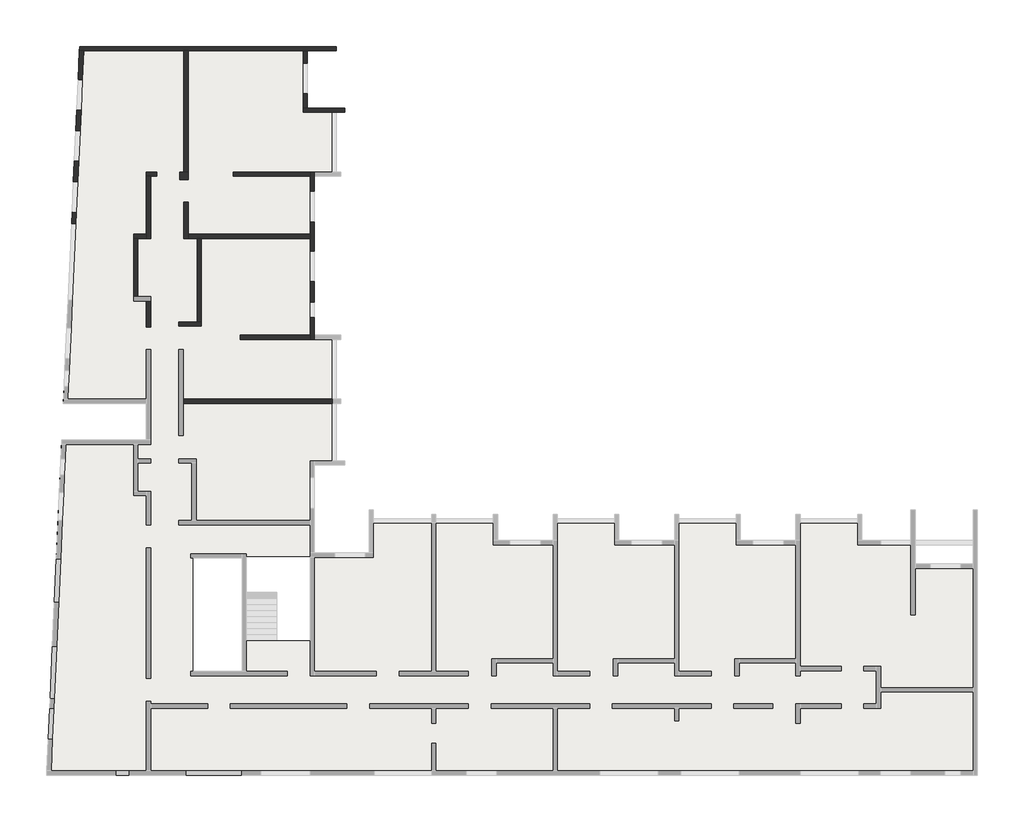
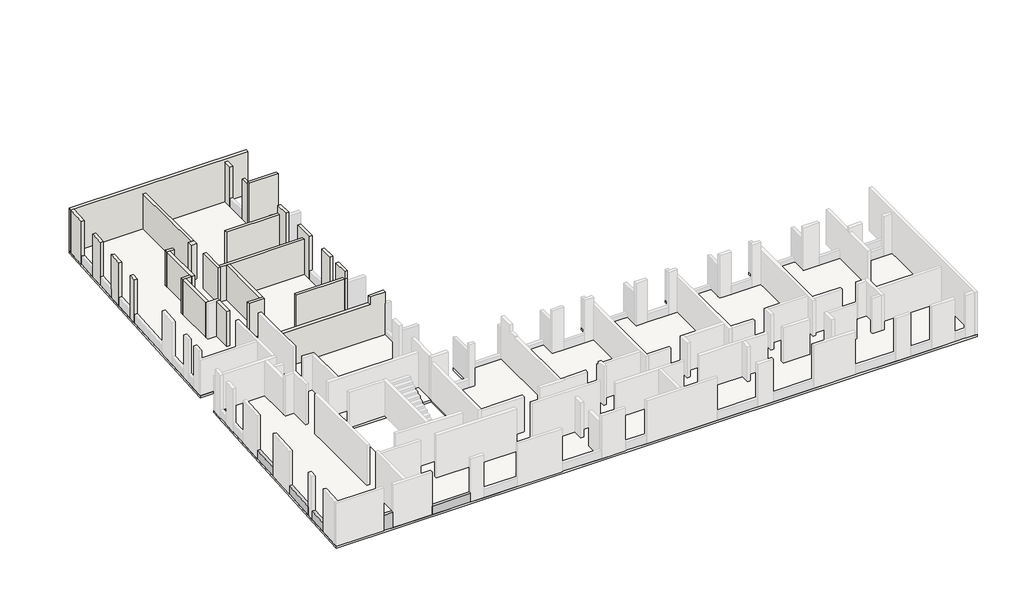
# One storey, part 3 of 4: 26 walls, 5 beams, 1 slab.
"""IFC4 building model written with IfcOpenShell, lengths in millimetres."""

from ifc_helpers import new_model, si_unit, frame, origin, place, context, project, spatial, polyline, outline, extrude, faceted_brep, element, save

model = new_model("IFC4")

# Units and contexts
model_context = context("Model", 3, world=origin())
ifc_project = project(units=[si_unit("LENGTHUNIT", "METRE", prefix="MILLI")], contexts=[model_context])

# Site, building, storey
site = spatial("IfcSite", under=ifc_project)
building = spatial("IfcBuilding", under=site)
storey = spatial("IfcBuildingStorey", under=building, Elevation=19880.0)

# Beams
placement = place(None, origin())
element("IfcBeam", 1, ObjectType="VI. 20/125", at=placement, inside=storey, context=model_context, shape_type="SweptSolid", body=[
    extrude(outline(polyline([(-38350.6912908, -16419.0672499), (-38350.6912908, -16219.0672499), (-37760.6912908, -16219.0672499), (-37760.6912908, -16419.0672499), (-38350.6912908, -16419.0672499)])), frame((0.0, 0.0, 19880.0), z_axis=(0.0, 0.0, 1.0), x_axis=(1.0, 0.0, 0.0)), (0.0, 0.0, 1.0), 1100.0),
])
element("IfcBeam", 2, ObjectType="VI. 20/75", at=placement, inside=storey, context=model_context, shape_type="SweptSolid", body=[
    extrude(outline(polyline([(-41467.4470985, -13297.689544), (-41267.6525789, -13306.7532049), (-41332.9109371, -14745.2737458), (-41532.7054566, -14736.2100849), (-41467.4470985, -13297.689544)])), frame((0.0, 0.0, 19880.0), z_axis=(0.0, 0.0, 1.0), x_axis=(1.0, 0.0, 0.0)), (0.0, 0.0, 1.0), 600.0),
])
element("IfcBeam", 3, ObjectType="VI. 20/75", at=placement, inside=storey, context=model_context, shape_type="SweptSolid", body=[
    extrude(outline(polyline([(-41246.1263843, -12832.2412209), (-41445.9209039, -12823.17756), (-41334.8458454, -10374.6980441), (-41135.0513258, -10383.7617049), (-41246.1263843, -12832.2412209)])), frame((0.0, 0.0, 19880.0), z_axis=(0.0, 0.0, 1.0), x_axis=(1.0, 0.0, 0.0)), (0.0, 0.0, 1.0), 600.0),
])
element("IfcBeam", 4, ObjectType="VI. 20/75", at=placement, inside=storey, context=model_context, shape_type="SweptSolid", body=[
    extrude(outline(polyline([(-41149.2673893, -6283.9052558), (-40949.4728698, -6292.9689167), (-41041.9222105, -8330.8730163), (-41241.7167301, -8321.8093555), (-41149.2673893, -6283.9052558)])), frame((0.0, 0.0, 19880.0), z_axis=(0.0, 0.0, 1.0), x_axis=(1.0, 0.0, 0.0)), (0.0, 0.0, 1.0), 600.0),
])
element("IfcBeam", 5, ObjectType="VI. 20/75", at=placement, inside=storey, context=model_context, shape_type="SweptSolid", body=[
    extrude(outline(polyline([(-32455.6912908, -16219.0672499), (-32455.6912908, -16419.0672499), (-35095.6912908, -16419.0672499), (-35095.6912908, -16219.0672499), (-32455.6912908, -16219.0672499)])), frame((0.0, 0.0, 19880.0), z_axis=(0.0, 0.0, 1.0), x_axis=(1.0, 0.0, 0.0)), (0.0, 0.0, 1.0), 600.0),
])

# Slab
element("IfcSlab", 6, ObjectType="LHA15", at=placement, inside=storey, context=model_context, shape_type="Brep", body=[
    faceted_brep([(-40059.8363693, 17730.9327501, 19730.0), (-40059.8363693, 17730.9327501, 19880.0), (-29395.6912908, 17730.9327501, 19880.0), (-29395.6912908, 17730.9327501, 19730.0), (-29395.6912908, 16950.9327501, 19880.0), (-29395.6912908, 15510.9327501, 19880.0), (-29395.6912908, 14850.8982988, 19880.0), (-29395.6912908, 14850.8982988, 19730.0), (-27635.6912908, 14850.8982988, 19880.0), (-27635.6912908, 14850.8982988, 19730.0), (-28035.6912908, 14650.9327501, 19730.0), (-28035.6912908, 14650.9327501, 19880.0), (-28035.6912908, 11850.9327501, 19880.0), (-28035.6912908, 11850.9327501, 19730.0), (-27835.6912908, 11650.9327501, 19730.0), (-27835.6912908, 11650.9327501, 19880.0), (-29065.6912908, 11650.9327501, 19880.0), (-29065.6912908, 11650.9327501, 19730.0), (-29065.6912908, 10925.9327501, 19880.0), (-29065.6912908, 9535.9327501, 19880.0), (-29065.6912908, 8150.9327501, 19880.0), (-29065.6912908, 6710.9327501, 19880.0), (-29065.6912908, 5760.9327501, 19880.0), (-29065.6912908, 5020.9327501, 19880.0), (-29065.6912908, 4200.9327501, 19880.0), (-29065.6912908, 4200.9327501, 19730.0), (-27835.6912908, 4200.9327501, 19880.0), (-27835.6912908, 4200.9327501, 19730.0), (-28035.6912908, 1000.9327501, 19730.0), (-28035.6912908, 1000.9327501, 19880.0), (-28035.6912908, -1689.5482142, 19880.0), (-28035.6912908, -1689.5482142, 19730.0), (-29065.6912908, -1889.5482142, 19730.0), (-29065.6912908, -1889.5482142, 19880.0), (-29065.6912908, -2469.0672499, 19880.0), (-29065.6912908, -3909.0672499, 19880.0), (-29065.6912908, -6004.0672499, 19880.0), (-29065.6912908, -6004.0672499, 19730.0), (-28115.6912908, -6004.0672499, 19880.0), (-26675.6912908, -6004.0672499, 19880.0), (-26495.6912908, -6004.0672499, 19880.0), (-26495.6912908, -6004.0672499, 19730.0), (-26495.6912908, -3999.0672499, 19880.0), (-26495.6912908, -3999.0672499, 19730.0), (-26295.6912908, -4399.0672499, 19730.0), (-26295.6912908, -4399.0672499, 19880.0), (-23575.6912908, -4399.0672499, 19880.0), (-23575.6912908, -4399.0672499, 19730.0), (-20485.6912908, -4199.0672499, 19730.0), (-20485.6912908, -4199.0672499, 19880.0), (-20485.6912908, -5419.0672499, 19880.0), (-20485.6912908, -5419.0672499, 19730.0), (-19905.6912908, -5419.0672499, 19880.0), (-18465.6912908, -5419.0672499, 19880.0), (-17885.6912908, -5419.0672499, 19880.0), (-17885.6912908, -5419.0672499, 19730.0), (-17885.6912908, -4199.0672499, 19880.0), (-17885.6912908, -4199.0672499, 19730.0), (-17685.6912908, -4399.0672499, 19730.0), (-17685.6912908, -4399.0672499, 19880.0), (-14995.6912908, -4399.0672499, 19880.0), (-14995.6912908, -4399.0672499, 19730.0), (-14795.6912908, -4199.0672499, 19730.0), (-14795.6912908, -4199.0672499, 19880.0), (-14795.6912908, -5419.0672499, 19880.0), (-14795.6912908, -5419.0672499, 19730.0), (-14215.6912908, -5419.0672499, 19880.0), (-12775.6912908, -5419.0672499, 19880.0), (-12195.6912908, -5419.0672499, 19880.0), (-12195.6912908, -5419.0672499, 19730.0), (-12195.6912908, -4199.0672499, 19880.0), (-12195.6912908, -4199.0672499, 19730.0), (-11995.6912908, -4399.0672499, 19730.0), (-11995.6912908, -4399.0672499, 19880.0), (-9305.6912908, -4399.0672499, 19880.0), (-9305.6912908, -4399.0672499, 19730.0), (-9105.6912908, -4199.0672499, 19730.0), (-9105.6912908, -4199.0672499, 19880.0), (-9105.6912908, -5419.0672499, 19880.0), (-9105.6912908, -5419.0672499, 19730.0), (-8525.6912908, -5419.0672499, 19880.0), (-7085.6912908, -5419.0672499, 19880.0), (-6505.6912908, -5419.0672499, 19880.0), (-6505.6912908, -5419.0672499, 19730.0), (-6505.6912908, -4199.0672499, 19880.0), (-6505.6912908, -4199.0672499, 19730.0), (-6305.6912908, -4399.0672499, 19730.0), (-6305.6912908, -4399.0672499, 19880.0), (-3615.6912908, -4399.0672499, 19880.0), (-3615.6912908, -4399.0672499, 19730.0), (-3415.6912908, -4199.0672499, 19730.0), (-3415.6912908, -4199.0672499, 19880.0), (-3415.6912908, -5419.0672499, 19880.0), (-3415.6912908, -5419.0672499, 19730.0), (-2545.6912908, -5419.0672499, 19880.0), (-1125.6912908, -5419.0672499, 19880.0), (-925.6912908, -5419.0672499, 19880.0), (-925.6912908, -5419.0672499, 19730.0), (-925.6912908, -6519.0672499, 19880.0), (-925.6912908, -6519.0672499, 19730.0), (-925.6912908, -5619.0672499, 19730.0), (-200.6912908, -6519.0672499, 19880.0), (1189.3087092, -6519.0672499, 19880.0), (1994.3087092, -6519.0672499, 19880.0), (1994.3087092, -6519.0672499, 19730.0), (1994.3087092, -16419.0672499, 19880.0), (1994.3087092, -16419.0672499, 19730.0), (-32245.6912908, -10104.0672499, 19730.0), (-32245.6912908, -10104.0672499, 19880.0), (-29265.6912908, -10104.0672499, 19880.0), (-29265.6912908, -10104.0672499, 19730.0), (-29265.6912908, -6184.0672499, 19880.0), (-29265.6912908, -6184.0672499, 19730.0), (-32245.6912908, -6184.0672499, 19880.0), (-32245.6912908, -6184.0672499, 19730.0), (-32245.6912908, -6244.0672499, 19880.0), (-32245.6912908, -6244.0672499, 19730.0), (-34745.6912908, -6244.0672499, 19880.0), (-34745.6912908, -6244.0672499, 19730.0), (-34745.6912908, -11559.0672499, 19880.0), (-34745.6912908, -11559.0672499, 19730.0), (-32245.6912908, -11559.0672499, 19880.0), (-32245.6912908, -11559.0672499, 19730.0), (-27635.6912908, -1889.5482142, 19730.0), (-27635.6912908, -1889.5482142, 19880.0), (-3615.6912908, -4199.0672499, 19880.0), (-6305.6912908, -4199.0672499, 19880.0), (-9305.6912908, -4199.0672499, 19880.0), (-11995.6912908, -4199.0672499, 19880.0), (-14995.6912908, -4199.0672499, 19880.0), (-17685.6912908, -4199.0672499, 19880.0), (-20685.6912908, -4199.0672499, 19880.0), (-20685.6912908, -4399.0672499, 19880.0), (-23375.6912908, -4399.0672499, 19880.0), (-23375.6912908, -4199.0672499, 19880.0), (-23575.6912908, -4199.0672499, 19880.0), (-26295.6912908, -3999.0672499, 19880.0), (-27635.6912908, -1689.5482142, 19880.0), (-27835.6912908, 1000.9327501, 19880.0), (-27835.6912908, 1200.9327501, 19880.0), (-28035.6912908, 1200.9327501, 19880.0), (-28035.6912908, 4000.9327501, 19880.0), (-27835.6912908, 4000.9327501, 19880.0), (-27835.6912908, 11850.9327501, 19880.0), (-27635.6912908, 14650.9327501, 19880.0), (-40130.7851818, 16166.9748617, 19880.0), (-40193.7776247, 14778.4029506, 19880.0), (-40238.4161545, 13794.4149417, 19880.0), (-40303.6745126, 12355.8944008, 19880.0), (-40347.1800848, 11396.8807068, 19880.0), (-40412.4384429, 9958.3601659, 19880.0), (-40436.6837357, 9423.909826, 19880.0), (-40598.016899, 5867.5673776, 19880.0), (-40658.0636522, 4543.9286854, 19880.0), (-40723.3220104, 3105.4081445, 19880.0), (-40748.9268523, 2540.9886267, 19880.0), (-40782.4623975, 1801.7489043, 19880.0), (-40818.7913521, 1000.9327501, 19880.0), (-36935.6912908, 1000.9327501, 19880.0), (-36935.6912908, -714.0672499, 19880.0), (-40896.5921767, -714.0672499, 19880.0), (-41149.2673893, -6283.9052558, 19880.0), (-41241.7167301, -8321.8093555, 19880.0), (-41334.8458454, -10374.6980441, 19880.0), (-41445.9209039, -12823.17756, 19880.0), (-41467.4470985, -13297.689544, 19880.0), (-41532.7054566, -14736.2100849, 19880.0), (-41609.0481243, -16419.0672499, 19880.0), (-38350.6912908, -16419.0672499, 19880.0), (-37760.6912908, -16419.0672499, 19880.0), (-35095.6912908, -16419.0672499, 19880.0), (-32455.6912908, -16419.0672499, 19880.0), (-31585.6912908, -16419.0672499, 19880.0), (-29265.6912908, -16419.0672499, 19880.0), (-26230.6912908, -16419.0672499, 19880.0), (-23600.6912908, -16419.0672499, 19880.0), (-21930.6912908, -16419.0672499, 19880.0), (-20540.6912908, -16419.0672499, 19880.0), (-15705.6912908, -16419.0672499, 19880.0), (-12965.6912908, -16419.0672499, 19880.0), (-11895.6912908, -16419.0672499, 19880.0), (-9155.6912908, -16419.0672499, 19880.0), (-6305.6912908, -16419.0672499, 19880.0), (-3570.6912908, -16419.0672499, 19880.0), (-2555.6912908, -16419.0672499, 19880.0), (-1125.6912908, -16419.0672499, 19880.0), (489.3087092, -16419.0672499, 19880.0), (1179.3087092, -16419.0672499, 19880.0), (-41609.0481243, -16419.0672499, 19730.0), (-40896.5921767, -714.0672499, 19730.0), (-36935.6912908, -714.0672499, 19730.0), (-36935.6912908, 1000.9327501, 19730.0), (-40818.7913521, 1000.9327501, 19730.0), (-27635.6912908, 14650.9327501, 19730.0), (-27835.6912908, 11850.9327501, 19730.0), (-27835.6912908, 4000.9327501, 19730.0), (-28035.6912908, 4000.9327501, 19730.0), (-28035.6912908, 1200.9327501, 19730.0), (-27835.6912908, 1200.9327501, 19730.0), (-27835.6912908, 1000.9327501, 19730.0), (-27635.6912908, -1689.5482142, 19730.0), (-26295.6912908, -3999.0672499, 19730.0), (-23575.6912908, -4199.0672499, 19730.0), (-23375.6912908, -4199.0672499, 19730.0), (-23375.6912908, -4399.0672499, 19730.0), (-20685.6912908, -4399.0672499, 19730.0), (-20685.6912908, -4199.0672499, 19730.0), (-17685.6912908, -4199.0672499, 19730.0), (-14995.6912908, -4199.0672499, 19730.0), (-11995.6912908, -4199.0672499, 19730.0), (-9305.6912908, -4199.0672499, 19730.0), (-6305.6912908, -4199.0672499, 19730.0), (-3615.6912908, -4199.0672499, 19730.0)], [[[0, 1, 2, 3]], [[3, 2, 4, 5, 6, 7]], [[7, 6, 8, 9]], [[10, 11, 12, 13]], [[14, 15, 16, 17]], [[17, 16, 18, 19, 20, 21, 22, 23, 24, 25]], [[25, 24, 26, 27]], [[28, 29, 30, 31]], [[32, 33, 34, 35, 36, 37]], [[37, 36, 38, 39, 40, 41]], [[41, 40, 42, 43]], [[44, 45, 46, 47]], [[48, 49, 50, 51]], [[51, 50, 52, 53, 54, 55]], [[55, 54, 56, 57]], [[58, 59, 60, 61]], [[62, 63, 64, 65]], [[65, 64, 66, 67, 68, 69]], [[69, 68, 70, 71]], [[72, 73, 74, 75]], [[76, 77, 78, 79]], [[79, 78, 80, 81, 82, 83]], [[83, 82, 84, 85]], [[86, 87, 88, 89]], [[90, 91, 92, 93]], [[93, 92, 94, 95, 96, 97]], [[97, 96, 98, 99, 100]], [[99, 98, 101, 102, 103, 104]], [[104, 103, 105, 106]], [[107, 108, 109, 110]], [[110, 109, 111, 112]], [[112, 111, 113, 114]], [[114, 113, 115, 116]], [[116, 115, 117, 118]], [[118, 117, 119, 120]], [[120, 119, 121, 122]], [[122, 121, 108, 107]], [[123, 124, 33, 32]], [[103, 102, 101, 98, 96, 95, 94, 92, 91, 125, 88, 87, 126, 84, 82, 81, 80, 78, 77, 127, 74, 73, 128, 70, 68, 67, 66, 64, 63, 129, 60, 59, 130, 56, 54, 53, 52, 50, 49, 131, 132, 133, 134, 135, 46, 45, 136, 42, 40, 39, 38, 36, 35, 34, 33, 124, 137, 30, 29, 138, 139, 140, 141, 142, 26, 24, 23, 22, 21, 20, 19, 18, 16, 15, 143, 12, 11, 144, 8, 6, 5, 4, 2, 1, 145, 146, 147, 148, 149, 150, 151, 152, 153, 154, 155, 156, 157, 158, 159, 160, 161, 162, 163, 164, 165, 166, 167, 168, 169, 170, 171, 172, 173, 174, 175, 176, 177, 178, 179, 180, 181, 182, 183, 184, 185, 186, 187, 105], [119, 117, 115, 113, 111, 109, 108, 121]], [[104, 106, 188, 189, 190, 191, 192, 0, 3, 7, 9, 193, 10, 13, 194, 14, 17, 25, 27, 195, 196, 197, 198, 199, 28, 31, 200, 123, 32, 37, 41, 43, 201, 44, 47, 202, 203, 204, 205, 206, 48, 51, 55, 57, 207, 58, 61, 208, 62, 65, 69, 71, 209, 72, 75, 210, 76, 79, 83, 85, 211, 86, 89, 212, 90, 93, 97, 100, 99], [120, 122, 107, 110, 112, 114, 116, 118]], [[106, 105, 187, 186, 185, 184, 183, 182, 181, 180, 179, 178, 177, 176, 175, 174, 173, 172, 171, 170, 169, 168, 167, 188]], [[189, 160, 159, 190]], [[190, 159, 158, 191]], [[191, 158, 157, 192]], [[192, 157, 156, 155, 154, 153, 152, 151, 150, 149, 148, 147, 146, 145, 1, 0]], [[9, 8, 144, 193]], [[193, 144, 11, 10]], [[13, 12, 143, 194]], [[194, 143, 15, 14]], [[27, 26, 142, 195]], [[195, 142, 141, 196]], [[196, 141, 140, 197]], [[197, 140, 139, 198]], [[198, 139, 138, 199]], [[199, 138, 29, 28]], [[31, 30, 137, 200]], [[200, 137, 124, 123]], [[43, 42, 136, 201]], [[201, 136, 45, 44]], [[47, 46, 135, 202]], [[202, 135, 134, 203]], [[203, 134, 133, 204]], [[204, 133, 132, 205]], [[205, 132, 131, 206]], [[206, 131, 49, 48]], [[57, 56, 130, 207]], [[207, 130, 59, 58]], [[61, 60, 129, 208]], [[208, 129, 63, 62]], [[71, 70, 128, 209]], [[209, 128, 73, 72]], [[75, 74, 127, 210]], [[210, 127, 77, 76]], [[85, 84, 126, 211]], [[211, 126, 87, 86]], [[89, 88, 125, 212]], [[212, 125, 91, 90]], [[188, 167, 166, 165, 164, 163, 162, 161, 160, 189]]]),
])

# Walls
element("IfcWall", 7, ObjectType="MHA20", at=placement, inside=storey, context=model_context, shape_type="Brep", body=[
    faceted_brep([(-29395.6912908, 16950.9327501, 19880.0), (-29395.6912908, 17530.9327501, 19880.0), (-29395.6912908, 17530.9327501, 22750.0), (-29395.6912908, 16950.9327501, 22750.0), (-29395.6912908, 16950.9327501, 22410.0), (-29395.6912908, 16950.9327501, 20480.0), (-29595.6912908, 16950.9327501, 19880.0), (-29595.6912908, 16950.9327501, 20480.0), (-29595.6912908, 16950.9327501, 22410.0), (-29595.6912908, 16950.9327501, 22750.0), (-29595.6912908, 17530.9327501, 22750.0), (-29595.6912908, 17530.9327501, 19880.0)], [[[0, 1, 2, 3, 4, 5]], [[6, 7, 8, 9, 10, 11]], [[1, 0, 6, 11]], [[3, 2, 10, 9]], [[0, 5, 4, 3, 9, 8, 7, 6]], [[2, 1, 11, 10]]]),
])
element("IfcWall", 8, ObjectType="MHA20", at=placement, inside=storey, context=model_context, shape_type="Brep", body=[
    faceted_brep([(-35205.6912908, 1000.9327501, 19880.0), (-28235.6912908, 1000.9327501, 19880.0), (-28235.6912908, 1000.9327501, 22110.0), (-28235.6912908, 1000.9327501, 22953.7062937), (-29065.6912908, 1000.9327501, 22945.0), (-29265.6912908, 1000.9327501, 22942.9020979), (-29265.6912908, 1000.9327501, 22410.0), (-35205.6912908, 1000.9327501, 22410.0), (-35205.6912908, 1200.9327501, 19880.0), (-35205.6912908, 1200.9327501, 22410.0), (-29265.6912908, 1200.9327501, 22410.0), (-29265.6912908, 1200.9327501, 22942.9020979), (-29065.6912908, 1200.9327501, 22945.0), (-28235.6912908, 1200.9327501, 22953.7062937), (-28235.6912908, 1200.9327501, 22110.0), (-28235.6912908, 1200.9327501, 19880.0)], [[[0, 1, 2, 3, 4, 5, 6, 7]], [[8, 9, 10, 11, 12, 13, 14, 15]], [[0, 7, 9, 8]], [[1, 0, 8, 15]], [[3, 2, 1, 15, 14, 13]], [[7, 6, 10, 9]], [[5, 4, 3, 13, 12, 11]], [[6, 5, 11, 10]]]),
])
element("IfcWall", 9, ObjectType="MHA20", at=placement, inside=storey, context=model_context, shape_type="Brep", body=[
    faceted_brep([(-35405.6912908, 4620.9327501, 19880.0), (-34355.6912908, 4620.9327501, 19880.0), (-34355.6912908, 4620.9327501, 22410.0), (-35405.6912908, 4620.9327501, 22410.0), (-35405.6912908, 4820.9327501, 19880.0), (-35405.6912908, 4820.9327501, 22410.0), (-34555.6912908, 4820.9327501, 22410.0), (-34355.6912908, 4820.9327501, 22410.0), (-34355.6912908, 4820.9327501, 19880.0), (-34555.6912908, 4820.9327501, 19880.0)], [[[0, 1, 2, 3]], [[4, 5, 6, 7, 8, 9]], [[1, 0, 4, 9, 8]], [[3, 2, 7, 6, 5]], [[0, 3, 5, 4]], [[2, 1, 8, 7]]]),
])
element("IfcWall", 10, ObjectType="MHA20", at=placement, inside=storey, context=model_context, shape_type="SweptSolid", body=[
    extrude(outline(polyline([(-34355.6912908, 8730.9327501), (-34355.6912908, 4820.9327501), (-34555.6912908, 4820.9327501), (-34555.6912908, 8730.9327501), (-34355.6912908, 8730.9327501)])), frame((0.0, 0.0, 19880.0), z_axis=(0.0, 0.0, 1.0), x_axis=(1.0, 0.0, 0.0)), (0.0, 0.0, 1.0), 2530.0),
])
element("IfcWall", 11, ObjectType="MHA20", at=placement, inside=storey, context=model_context, shape_type="Brep", body=[
    faceted_brep([(-29065.6912908, 4000.9327501, 19880.0), (-29065.6912908, 4200.9327501, 19880.0), (-29065.6912908, 5020.9327501, 19880.0), (-29065.6912908, 5020.9327501, 20480.0), (-29065.6912908, 5020.9327501, 22410.0), (-29065.6912908, 5020.9327501, 22945.0), (-29065.6912908, 4000.9327501, 22945.0), (-29065.6912908, 4000.9327501, 22410.0), (-29065.6912908, 4000.9327501, 22110.0), (-29265.6912908, 4000.9327501, 19880.0), (-29265.6912908, 4000.9327501, 22410.0), (-29265.6912908, 4000.9327501, 22945.0), (-29265.6912908, 5020.9327501, 22945.0), (-29265.6912908, 5020.9327501, 22410.0), (-29265.6912908, 5020.9327501, 20480.0), (-29265.6912908, 5020.9327501, 19880.0), (-29265.6912908, 4200.9327501, 19880.0)], [[[0, 1, 2, 3, 4, 5, 6, 7, 8]], [[9, 10, 11, 12, 13, 14, 15, 16]], [[2, 1, 0, 9, 16, 15]], [[5, 4, 3, 2, 15, 14, 13, 12]], [[6, 5, 12, 11]], [[7, 6, 11, 10]], [[0, 8, 7, 10, 9]]]),
])
element("IfcWall", 12, ObjectType="MHA20", at=placement, inside=storey, context=model_context, shape_type="Brep", body=[
    faceted_brep([(-29065.6912908, 5760.9327501, 19880.0), (-29065.6912908, 6710.9327501, 19880.0), (-29065.6912908, 6710.9327501, 20480.0), (-29065.6912908, 6710.9327501, 22410.0), (-29065.6912908, 6710.9327501, 22945.0), (-29065.6912908, 5760.9327501, 22945.0), (-29065.6912908, 5760.9327501, 22410.0), (-29065.6912908, 5760.9327501, 20480.0), (-29265.6912908, 5760.9327501, 19880.0), (-29265.6912908, 5760.9327501, 20480.0), (-29265.6912908, 5760.9327501, 22410.0), (-29265.6912908, 5760.9327501, 22945.0), (-29265.6912908, 6710.9327501, 22945.0), (-29265.6912908, 6710.9327501, 22410.0), (-29265.6912908, 6710.9327501, 20480.0), (-29265.6912908, 6710.9327501, 19880.0)], [[[0, 1, 2, 3, 4, 5, 6, 7]], [[8, 9, 10, 11, 12, 13, 14, 15]], [[1, 0, 8, 15]], [[4, 3, 2, 1, 15, 14, 13, 12]], [[5, 4, 12, 11]], [[0, 7, 6, 5, 11, 10, 9, 8]]]),
])
element("IfcWall", 13, ObjectType="MHA20", at=placement, inside=storey, context=model_context, shape_type="Brep", body=[
    faceted_brep([(-29065.6912908, 8150.9327501, 19880.0), (-29065.6912908, 9510.9327501, 19880.0), (-29065.6912908, 9510.9327501, 22945.0), (-29065.6912908, 8150.9327501, 22945.0), (-29065.6912908, 8150.9327501, 22410.0), (-29065.6912908, 8150.9327501, 20480.0), (-29265.6912908, 8150.9327501, 19880.0), (-29265.6912908, 8150.9327501, 20480.0), (-29265.6912908, 8150.9327501, 22410.0), (-29265.6912908, 8150.9327501, 22945.0), (-29265.6912908, 9510.9327501, 22945.0), (-29265.6912908, 9510.9327501, 19880.0), (-29265.6912908, 8930.9327501, 19880.0), (-29265.6912908, 8730.9327501, 19880.0)], [[[0, 1, 2, 3, 4, 5]], [[6, 7, 8, 9, 10, 11, 12, 13]], [[1, 0, 6, 13, 12, 11]], [[2, 1, 11, 10]], [[3, 2, 10, 9]], [[0, 5, 4, 3, 9, 8, 7, 6]]]),
])
element("IfcWall", 14, ObjectType="MHA20", at=placement, inside=storey, context=model_context, shape_type="Brep", body=[
    faceted_brep([(-29065.6912908, 10950.9327501, 19880.0), (-29065.6912908, 11650.9327501, 19880.0), (-29065.6912908, 11850.9327501, 19880.0), (-29065.6912908, 11850.9327501, 22110.0), (-29065.6912908, 11850.9327501, 22410.0), (-29065.6912908, 11850.9327501, 22945.0), (-29065.6912908, 10950.9327501, 22945.0), (-29265.6912908, 10950.9327501, 19880.0), (-29265.6912908, 10950.9327501, 22945.0), (-29265.6912908, 11850.9327501, 22945.0), (-29265.6912908, 11850.9327501, 22410.0), (-29265.6912908, 11850.9327501, 19880.0), (-29265.6912908, 11650.9327501, 19880.0)], [[[0, 1, 2, 3, 4, 5, 6]], [[7, 8, 9, 10, 11, 12]], [[2, 1, 0, 7, 12, 11]], [[6, 5, 9, 8]], [[0, 6, 8, 7]], [[5, 4, 3, 2, 11, 10, 9]]]),
])
element("IfcWall", 15, ObjectType="MHA20", at=placement, inside=storey, context=model_context, shape_type="Brep", body=[
    faceted_brep([(-29595.6912908, 15510.9327501, 19880.0), (-29595.6912908, 14850.9327501, 19880.0), (-29595.6912908, 14850.9327501, 22750.0), (-29595.6912908, 15510.9327501, 22750.0), (-29595.6912908, 15510.9327501, 22410.0), (-29595.6912908, 15510.9327501, 20480.0), (-29395.6912908, 15510.9327501, 19880.0), (-29395.6912908, 15510.9327501, 20480.0), (-29395.6912908, 15510.9327501, 22410.0), (-29395.6912908, 15510.9327501, 22750.0), (-29395.6912908, 14850.9327501, 22750.0), (-29395.6912908, 14850.9327501, 19880.0)], [[[0, 1, 2, 3, 4, 5]], [[6, 7, 8, 9, 10, 11]], [[1, 0, 6, 11]], [[2, 1, 11, 10]], [[3, 2, 10, 9]], [[0, 5, 4, 3, 9, 8, 7, 6]]]),
])
element("IfcWall", 16, ObjectType="MHA20", at=placement, inside=storey, context=model_context, shape_type="SweptSolid", body=[
    extrude(outline(polyline([(-35175.6912908, 11850.9327501), (-35175.6912908, 17530.9327501), (-34975.6912908, 17530.9327501), (-34975.6912908, 11850.9327501), (-35175.6912908, 11850.9327501)])), frame((0.0, 0.0, 19880.0), z_axis=(0.0, 0.0, 1.0), x_axis=(1.0, 0.0, 0.0)), (0.0, 0.0, 1.0), 2530.0),
])
element("IfcWall", 17, ObjectType="MHA20", at=placement, inside=storey, context=model_context, shape_type="Brep", body=[
    faceted_brep([(-35175.6912908, 10430.9327501, 19880.0), (-35175.6912908, 8730.9327501, 19880.0), (-35175.6912908, 8730.9327501, 22410.0), (-35175.6912908, 10430.9327501, 22410.0), (-34975.6912908, 10430.9327501, 19880.0), (-34975.6912908, 10430.9327501, 22410.0), (-34975.6912908, 8930.9327501, 22410.0), (-34975.6912908, 8730.9327501, 22410.0), (-34975.6912908, 8730.9327501, 19880.0), (-34975.6912908, 8930.9327501, 19880.0)], [[[0, 1, 2, 3]], [[4, 5, 6, 7, 8, 9]], [[1, 0, 4, 9, 8]], [[3, 2, 7, 6, 5]], [[0, 3, 5, 4]], [[2, 1, 8, 7]]]),
])
element("IfcWall", 18, ObjectType="MHA20", at=placement, inside=storey, context=model_context, shape_type="Brep", body=[
    faceted_brep([(-36735.6912908, 8730.9327501, 19880.0), (-36735.6912908, 11650.9327501, 19880.0), (-36735.6912908, 11650.9327501, 22410.0), (-36735.6912908, 8730.9327501, 22410.0), (-36935.6912908, 8730.9327501, 19880.0), (-36935.6912908, 8730.9327501, 22410.0), (-36935.6912908, 8930.9327501, 22410.0), (-36935.6912908, 11650.9327501, 22410.0), (-36935.6912908, 11650.9327501, 19880.0), (-36935.6912908, 8930.9327501, 19880.0)], [[[0, 1, 2, 3]], [[4, 5, 6, 7, 8, 9]], [[1, 0, 4, 9, 8]], [[3, 2, 7, 6, 5]], [[0, 3, 5, 4]], [[2, 1, 8, 7]]]),
])
element("IfcWall", 19, ObjectType="MHA20", at=placement, inside=storey, context=model_context, shape_type="Brep", body=[
    faceted_brep([(-36935.6912908, 8930.9327501, 19880.0), (-37535.6912908, 8930.9327501, 19880.0), (-37535.6912908, 8930.9327501, 22410.0), (-36935.6912908, 8930.9327501, 22410.0), (-36935.6912908, 8730.9327501, 19880.0), (-36935.6912908, 8730.9327501, 22410.0), (-37335.6912908, 8730.9327501, 22410.0), (-37535.6912908, 8730.9327501, 22410.0), (-37535.6912908, 8730.9327501, 19880.0), (-37335.6912908, 8730.9327501, 19880.0)], [[[0, 1, 2, 3]], [[4, 5, 6, 7, 8, 9]], [[1, 0, 4, 9, 8]], [[3, 2, 7, 6, 5]], [[0, 3, 5, 4]], [[2, 1, 8, 7]]]),
])
element("IfcWall", 20, ObjectType="MHA20", at=placement, inside=storey, context=model_context, shape_type="SweptSolid", body=[
    extrude(outline(polyline([(-37535.6912908, 6010.9327501), (-37535.6912908, 8730.9327501), (-37335.6912908, 8730.9327501), (-37335.6912908, 6010.9327501), (-37535.6912908, 6010.9327501)])), frame((0.0, 0.0, 19880.0), z_axis=(0.0, 0.0, 1.0), x_axis=(1.0, 0.0, 0.0)), (0.0, 0.0, 1.0), 2530.0),
])
element("IfcWall", 21, ObjectType="MHA20", at=placement, inside=storey, context=model_context, shape_type="Brep", body=[
    faceted_brep([(-36435.6912908, 11850.9327501, 19880.0), (-36935.6912908, 11850.9327501, 19880.0), (-36935.6912908, 11850.9327501, 22410.0), (-36435.6912908, 11850.9327501, 22410.0), (-36435.6912908, 11650.9327501, 19880.0), (-36435.6912908, 11650.9327501, 22410.0), (-36735.6912908, 11650.9327501, 22410.0), (-36935.6912908, 11650.9327501, 22410.0), (-36935.6912908, 11650.9327501, 19880.0), (-36735.6912908, 11650.9327501, 19880.0)], [[[0, 1, 2, 3]], [[4, 5, 6, 7, 8, 9]], [[1, 0, 4, 9, 8]], [[3, 2, 7, 6, 5]], [[0, 3, 5, 4]], [[2, 1, 8, 7]]]),
])
element("IfcWall", 22, ObjectType="MHA20", at=placement, inside=storey, context=model_context, shape_type="Brep", body=[
    faceted_brep([(-40068.9093518, 17530.9327501, 19880.0), (-39868.70366, 17530.9327501, 19880.0), (-35175.6912908, 17530.9327501, 19880.0), (-34975.6912908, 17530.9327501, 19880.0), (-29595.6912908, 17530.9327501, 19880.0), (-29395.6912908, 17530.9327501, 19880.0), (-28035.6912908, 17530.9327501, 19880.0), (-28035.6912908, 17530.9327501, 22960.0), (-39868.70366, 17530.9327501, 22960.0), (-40068.9093518, 17530.9327501, 22960.0), (-40059.8363693, 17730.9327501, 19880.0), (-40059.8363693, 17730.9327501, 22960.0), (-28035.6912908, 17730.9327501, 22960.0), (-28035.6912908, 17730.9327501, 19880.0)], [[[0, 1, 2, 3, 4, 5, 6, 7, 8, 9]], [[10, 11, 12, 13]], [[6, 5, 4, 3, 2, 1, 0, 10, 13]], [[7, 6, 13, 12]], [[9, 8, 7, 12, 11]], [[0, 9, 11, 10]]]),
])
element("IfcWall", 23, ObjectType="MHA20", at=placement, inside=storey, context=model_context, shape_type="SweptSolid", body=[
    extrude(outline(polyline([(-29265.6912908, 11650.9327501), (-32865.6912908, 11650.9327501), (-32865.6912908, 11850.9327501), (-29265.6912908, 11850.9327501), (-29265.6912908, 11650.9327501)])), frame((0.0, 0.0, 19880.0), z_axis=(0.0, 0.0, 1.0), x_axis=(1.0, 0.0, 0.0)), (0.0, 0.0, 1.0), 2530.0),
])
element("IfcWall", 24, ObjectType="MHA20", at=placement, inside=storey, context=model_context, shape_type="Brep", body=[
    faceted_brep([(-34975.6912908, 8730.9327501, 19880.0), (-34555.6912908, 8730.9327501, 19880.0), (-34355.6912908, 8730.9327501, 19880.0), (-29265.6912908, 8730.9327501, 19880.0), (-29265.6912908, 8730.9327501, 22410.0), (-34355.6912908, 8730.9327501, 22410.0), (-34555.6912908, 8730.9327501, 22410.0), (-34975.6912908, 8730.9327501, 22410.0), (-34975.6912908, 8930.9327501, 19880.0), (-34975.6912908, 8930.9327501, 22410.0), (-29265.6912908, 8930.9327501, 22410.0), (-29265.6912908, 8930.9327501, 19880.0)], [[[0, 1, 2, 3, 4, 5, 6, 7]], [[8, 9, 10, 11]], [[3, 2, 1, 0, 8, 11]], [[7, 6, 5, 4, 10, 9]], [[0, 7, 9, 8]], [[4, 3, 11, 10]]]),
])
element("IfcWall", 25, ObjectType="MHA20", at=placement, inside=storey, context=model_context, shape_type="SweptSolid", body=[
    extrude(outline(polyline([(-32545.6912908, 4200.9327501), (-29265.6912908, 4200.9327501), (-29265.6912908, 4000.9327501), (-32545.6912908, 4000.9327501), (-32545.6912908, 4200.9327501)])), frame((0.0, 0.0, 19880.0), z_axis=(0.0, 0.0, 1.0), x_axis=(1.0, 0.0, 0.0)), (0.0, 0.0, 1.0), 2530.0),
])
element("IfcWall", 26, ObjectType="MHA20", at=placement, inside=storey, context=model_context, shape_type="SweptSolid", body=[
    extrude(outline(polyline([(-39868.70366, 17530.9327501), (-39929.8577046, 16182.8855157), (-40129.6522242, 16191.9491766), (-40068.9093518, 17530.9327501), (-39868.70366, 17530.9327501)])), frame((0.0, 0.0, 19880.0), z_axis=(0.0, 0.0, 1.0), x_axis=(1.0, 0.0, 0.0)), (0.0, 0.0, 1.0), 3080.0),
])
element("IfcWall", 27, ObjectType="MHA20", at=placement, inside=storey, context=model_context, shape_type="Brep", body=[
    faceted_brep([(-40194.9105823, 14753.4286357, 19880.0), (-40238.4161545, 13794.4149417, 19880.0), (-40238.4161545, 13794.4149417, 20480.0), (-40238.4161545, 13794.4149417, 22410.0), (-40238.4161545, 13794.4149417, 22960.0), (-40194.9105823, 14753.4286357, 22960.0), (-39995.1160628, 14744.3649748, 19880.0), (-39995.1160628, 14744.3649748, 22960.0), (-40038.6216349, 13785.3512809, 22960.0), (-40038.6216349, 13785.3512809, 22410.0), (-40038.6216349, 13785.3512809, 20480.0), (-40038.6216349, 13785.3512809, 19880.0)], [[[0, 1, 2, 3, 4, 5]], [[6, 7, 8, 9, 10, 11]], [[1, 0, 6, 11]], [[4, 3, 2, 1, 11, 10, 9, 8]], [[5, 4, 8, 7]], [[0, 5, 7, 6]]]),
])
element("IfcWall", 28, ObjectType="MHA20", at=placement, inside=storey, context=model_context, shape_type="Brep", body=[
    faceted_brep([(-40303.6745126, 12355.8944008, 19880.0), (-40347.1800848, 11396.8807068, 19880.0), (-40347.1800848, 11396.8807068, 20480.0), (-40347.1800848, 11396.8807068, 22410.0), (-40347.1800848, 11396.8807068, 22960.0), (-40303.6745126, 12355.8944008, 22960.0), (-40303.6745126, 12355.8944008, 22410.0), (-40303.6745126, 12355.8944008, 20480.0), (-40103.8799931, 12346.8307399, 19880.0), (-40103.8799931, 12346.8307399, 20480.0), (-40103.8799931, 12346.8307399, 22410.0), (-40103.8799931, 12346.8307399, 22960.0), (-40147.3855652, 11387.817046, 22960.0), (-40147.3855652, 11387.817046, 22410.0), (-40147.3855652, 11387.817046, 20480.0), (-40147.3855652, 11387.817046, 19880.0)], [[[0, 1, 2, 3, 4, 5, 6, 7]], [[8, 9, 10, 11, 12, 13, 14, 15]], [[1, 0, 8, 15]], [[4, 3, 2, 1, 15, 14, 13, 12]], [[5, 4, 12, 11]], [[0, 7, 6, 5, 11, 10, 9, 8]]]),
])
element("IfcWall", 29, ObjectType="MHA20", at=placement, inside=storey, context=model_context, shape_type="Brep", body=[
    faceted_brep([(-40412.4384429, 9958.3601659, 19880.0), (-40436.6837357, 9423.909826, 19880.0), (-40436.6837357, 9423.909826, 20480.0), (-40436.6837357, 9423.909826, 22410.0), (-40436.6837357, 9423.909826, 22960.0), (-40412.4384429, 9958.3601659, 22960.0), (-40412.4384429, 9958.3601659, 22410.0), (-40412.4384429, 9958.3601659, 20480.0), (-40212.6439234, 9949.296505, 19880.0), (-40212.6439234, 9949.296505, 20480.0), (-40212.6439234, 9949.296505, 22410.0), (-40212.6439234, 9949.296505, 22960.0), (-40236.8892162, 9414.8461652, 22960.0), (-40236.8892162, 9414.8461652, 22410.0), (-40236.8892162, 9414.8461652, 20480.0), (-40236.8892162, 9414.8461652, 19880.0)], [[[0, 1, 2, 3, 4, 5, 6, 7]], [[8, 9, 10, 11, 12, 13, 14, 15]], [[1, 0, 8, 15]], [[4, 3, 2, 1, 15, 14, 13, 12]], [[5, 4, 12, 11]], [[0, 7, 6, 5, 11, 10, 9, 8]]]),
])
element("IfcWall", 30, ObjectType="MHA20", at=placement, inside=storey, context=model_context, shape_type="Brep", body=[
    faceted_brep([(-29595.6912908, 14650.9327501, 19880.0), (-28235.6912908, 14650.9327501, 19880.0), (-28035.6912908, 14650.9327501, 19880.0), (-27635.6912908, 14650.9327501, 19880.0), (-27635.6912908, 14650.9327501, 22960.0), (-29595.6912908, 14650.9327501, 22960.0), (-29595.6912908, 14850.9327501, 19880.0), (-29595.6912908, 14850.9327501, 22960.0), (-27635.6912908, 14850.9327501, 22960.0), (-27635.6912908, 14850.9327501, 19880.0)], [[[0, 1, 2, 3, 4, 5]], [[6, 7, 8, 9]], [[3, 2, 1, 0, 6, 9]], [[4, 3, 9, 8]], [[5, 4, 8, 7]], [[0, 5, 7, 6]]]),
])
element("IfcWall", 31, ObjectType="MHA20", at=placement, inside=storey, context=model_context, shape_type="SweptSolid", body=[
    extrude(outline(polyline([(-36735.6912908, 5810.9327501), (-36735.6912908, 4590.9327501), (-36935.6912908, 4590.9327501), (-36935.6912908, 5810.9327501), (-36735.6912908, 5810.9327501)])), frame((0.0, 0.0, 19880.0), z_axis=(0.0, 0.0, 1.0), x_axis=(1.0, 0.0, 0.0)), (0.0, 0.0, 1.0), 2530.0),
])
element("IfcWall", 32, ObjectType="MHA35", at=placement, inside=storey, context=model_context, shape_type="SweptSolid", body=[
    extrude(outline(polyline([(-35365.6912908, 11850.9327501), (-34975.6912908, 11850.9327501), (-34975.6912908, 11500.9327501), (-35365.6912908, 11500.9327501), (-35365.6912908, 11850.9327501)])), frame((0.0, 0.0, 19880.0), z_axis=(0.0, 0.0, 1.0), x_axis=(1.0, 0.0, 0.0)), (0.0, 0.0, 1.0), 2530.0),
])

save(model, "model.ifc")
